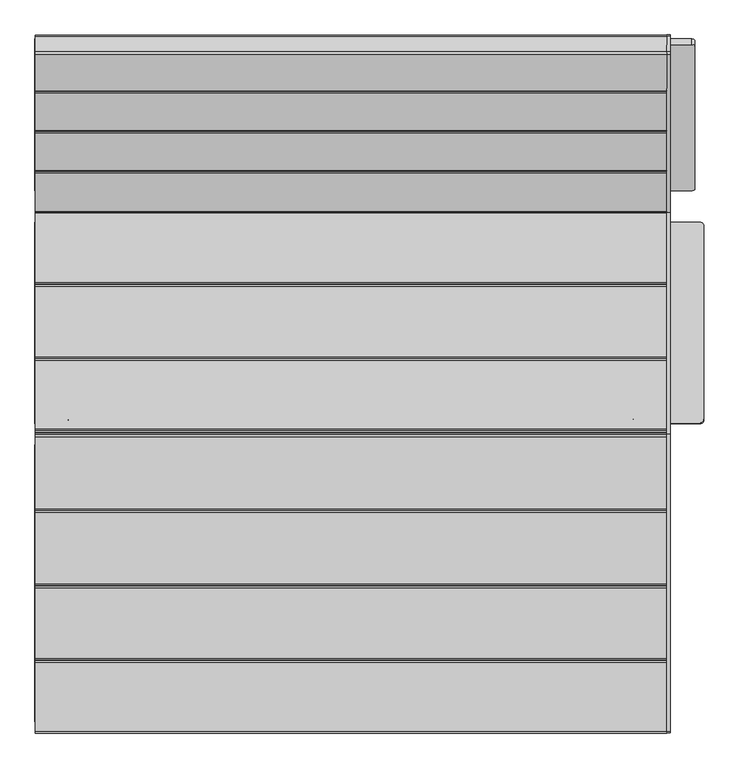
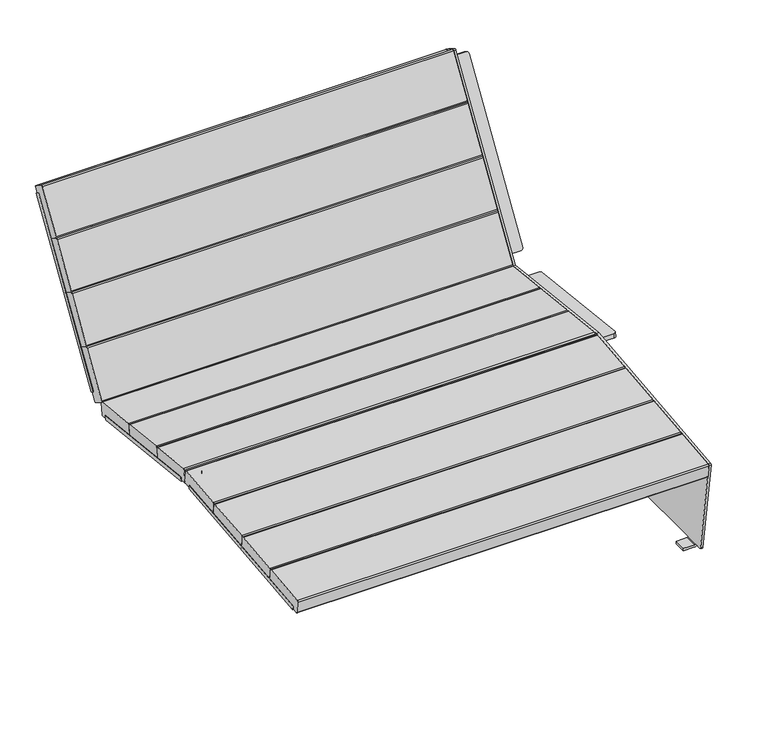
"""IFC4 building model written with IfcOpenShell, lengths in millimetres: furniture geometry."""

from ifc_helpers import new_model, si_unit, point, frame, frame_2d, origin, place, context, project, spatial, polyline, circle_curve, trimmed, segment, composite_curve, outline, extrude, source, transform, mapped, element, save
from ifc_brep_helpers import plane_surface, cylinder_surface, revolved_surface, advanced_brep


def furniture_59503259(model_context):
    return source(origin(), model_context, "Body", "SolidModel", [
        extrude(outline(composite_curve([segment(polyline([(0.0, 0.0), (578.0, 0.0), (578.0, -51.6665914)]), True, "CONTINUOUS"), segment(trimmed(circle_curve(frame_2d((569.9999999, -51.6665914)), 8.0), [point((578.0, -51.6665914))], [point((571.1396494, -59.5850003))], False, "CARTESIAN"), True, "CONTINUOUS"), segment(polyline([(571.1396494, -59.5850003), (7.0121057, -59.5850003)]), True, "CONTINUOUS"), segment(trimmed(circle_curve(frame_2d((7.0121057, -52.5728945)), 7.0121058), [point((7.0121057, -59.5850003))], [point((0.0, -52.5728945))], False, "CARTESIAN"), True, "CONTINUOUS"), segment(polyline([(0.0, -52.5728945), (0.0, 0.0)]), True, "CONTINUOUS")], self_intersect=False)), frame((-657.0, -653.6519252, 278.0435414), z_axis=(0.0, -0.10531331814140793, 0.9944390906546497), x_axis=(0.0, 0.9944390906546497, 0.10531331814140793)), (0.0, 0.0, 1.0), 12.2952655),
        extrude(outline(composite_curve([segment(polyline([(0.0, 0.0), (62.0, 0.0)]), True, "CONTINUOUS"), segment(trimmed(circle_curve(frame_2d((62.0, -7.9999999)), 8.0), [point((62.0, 0.0))], [point((70.0, -7.9999999))], False, "CARTESIAN"), True, "CONTINUOUS"), segment(polyline([(70.0, -7.9999999), (70.0, -412.0)]), True, "CONTINUOUS"), segment(trimmed(circle_curve(frame_2d((62.0, -412.0)), 8.0), [point((70.0, -412.0))], [point((62.0, -419.9999999))], False, "CARTESIAN"), True, "CONTINUOUS"), segment(polyline([(62.0, -419.9999999), (0.0, -419.9999999), (0.0, 0.0)]), True, "CONTINUOUS")], self_intersect=False)), frame((-657.0, 382.3486398, 292.0493405), z_axis=(0.0, 0.10875935595835198, 0.9940681075718728), x_axis=(1.0, 0.0, 0.0)), (0.0, 0.0, 1.0), 13.4436598),
        extrude(outline(composite_curve([segment(trimmed(circle_curve(frame_2d((0.0, -7.0)), 7.0), [point((-7.0000001, -7.0))], [point((0.9971933, -0.0713923))], False, "CARTESIAN"), True, "CONTINUOUS"), segment(polyline([(0.9971933, -0.0713923), (560.1716558, -0.0713923)]), True, "CONTINUOUS"), segment(trimmed(circle_curve(frame_2d((560.1716558, -7.0421103)), 6.970718), [point((560.1716558, -0.0713923))], [point((567.1423738, -7.0421103))], False, "CARTESIAN"), True, "CONTINUOUS"), segment(polyline([(567.1423738, -7.0421103), (567.1423738, -51.3139346), (-7.0000001, -51.3139346), (-7.0000001, -7.0)]), True, "CONTINUOUS")], self_intersect=False)), frame((-605.6860654, 761.3053612, 819.0950313), z_axis=(0.0, -0.8485020904898253, 0.5291920279391936), x_axis=(0.0, -0.5291920279391936, -0.8485020904898253)), (0.0, 0.0, 1.0), 13.5362306),
        advanced_brep(
        [(664.3530995, 602.7666168, 9.0224925), (655.3306071, 602.7666168, 0.0), (619.6140905, 602.7666168, 0.0), (619.6140905, 602.7666168, 8.1418753), (654.9504798, 602.7666168, 8.1418753), (657.0, 602.7666168, 10.1913955), (657.0, 602.7666168, 11.1667328), (664.3530995, 602.7666168, 11.1667328), (657.0, 563.2447437, 11.1667328), (657.0, 563.2447437, 10.1913955), (654.9504798, 563.2447437, 8.1418753), (619.6140905, 563.2447437, 8.1418753), (619.6140905, 563.2447437, 0.0), (655.3306071, 563.2447437, 0.0), (664.3530995, 563.2447437, 9.0224925), (664.3530995, 563.2447437, 11.1667328), (664.3530995, 632.5906619, 11.1667328), (664.3530995, 773.4237437, 842.4923379), (664.3530995, 771.6128802, 846.5443154), (664.3530995, 739.2072979, 866.9704616), (664.3530995, 733.6829682, 865.7075655), (664.3530995, 404.0685244, 338.6611211), (664.3530995, -55.947887, 389.484152), (664.3530995, -674.4279697, 323.9359283), (664.3530995, -677.9699267, 319.3675424), (664.3530995, -633.0934986, 14.5818314), (664.3530995, -629.1387431, 11.1667328), (664.3530995, -602.7666168, 11.1667328), (664.3530995, -602.7666168, 9.0224925), (664.3530995, -563.2447437, 9.0224925), (664.3530995, -563.2447437, 11.1667328), (664.3530995, 382.3486398, 292.0493405), (664.3530995, -35.1599653, 337.72827), (664.3530995, -33.6978416, 351.0921834), (664.3530995, 383.8107636, 305.4132539), (664.3530995, 765.0097054, 825.034546), (664.3530995, 461.1781383, 337.8735415), (664.3530995, 449.6926183, 345.0368069), (664.3530995, 753.5241854, 832.1978113), (657.0, -563.2447437, 11.1667328), (657.0, -563.2447437, 10.1913955), (657.0, -602.7666168, 10.1913955), (657.0, -602.7666168, 11.1667328), (657.0, -629.1387431, 11.1667328), (657.0, -633.0934986, 14.5818314), (657.0, -677.9699267, 319.3675424), (657.0, -674.4279697, 323.9359283), (657.0, -55.947887, 389.484152), (657.0, 404.0685244, 338.6611211), (657.0, 733.6829682, 865.7075655), (657.0, 739.2072979, 866.9704616), (657.0, 771.6128802, 846.5443154), (657.0, 773.4237437, 842.4923379), (657.0, 632.5906619, 11.1667328), (657.0, -653.6519252, 278.0435414), (657.0, -78.8661308, 338.9146392), (657.0, -80.160986, 351.1415319), (657.0, -654.9467804, 290.270434), (657.0, -35.1599653, 337.72827), (657.0, 382.3486398, 292.0493405), (657.0, 383.8107636, 305.4132539), (657.0, -33.6978416, 351.0921834), (657.0, 461.1781383, 337.8735415), (657.0, 765.0097054, 825.034546), (657.0, 753.5241854, 832.1978113), (657.0, 449.6926183, 345.0368069), (654.9504798, -602.7666168, 8.1418753), (619.6140905, -602.7666168, 8.1418753), (619.6140905, -602.7666168, 0.0), (655.3306071, -602.7666168, 0.0), (655.3306071, -563.2447437, 0.0), (619.6140905, -563.2447437, 0.0), (619.6140905, -563.2447437, 8.1418753), (654.9504798, -563.2447437, 8.1418753), (604.4271055, -653.6519252, 278.0435414), (597.4149997, -646.6788132, 278.7820095), (597.4149997, -85.6883316, 338.192153), (605.3334086, -78.8661308, 338.9146392), (605.3334086, -80.160986, 351.1415319), (597.4149997, -86.9831868, 350.4190456), (597.4149997, -647.9736684, 291.0089021), (604.4271055, -654.9467804, 290.270434), (595.0, -35.1599653, 337.72827), (587.0, -27.2074205, 336.8581951), (587.0, 374.396095, 292.9194153), (595.0, 382.3486398, 292.0493405), (595.0, 383.8107636, 305.4132539), (587.0, 375.8582188, 306.2833288), (587.0, -25.7452967, 350.2221086), (595.0, -33.6978416, 351.0921834), (726.3530995, 382.3486398, 292.0493405), (734.3530995, 374.396095, 292.9194153), (734.3530995, -27.2074205, 336.8581951), (726.3530995, -35.1599653, 337.72827), (726.3530995, -33.6978416, 351.0921834), (734.3530995, -25.7452967, 350.2221086), (734.3530995, 375.8582188, 306.2833288), (726.3530995, 383.8107636, 305.4132539), (612.6860654, 765.0097054, 825.034546), (612.7281757, 461.1781383, 337.8735415), (605.7574577, 464.8669867, 343.7882103), (605.7574577, 760.7776544, 818.2489107), (612.6860654, 753.5241854, 832.1978113), (605.7574577, 749.2921345, 825.4121761), (605.7574577, 453.3814667, 350.9514757), (612.7281757, 449.6926183, 345.0368069), (708.6670341, 765.0097054, 825.034546), (715.5956418, 760.7776544, 818.2489107), (715.5956418, 464.8669867, 343.7882103), (708.6249239, 461.1781383, 337.8735415), (708.6670341, 753.5241854, 832.1978113), (708.6249239, 449.6926183, 345.0368069), (715.5956418, 453.3814667, 350.9514757), (715.5956418, 749.2921345, 825.4121761)],
        [
            (0, 1, circle_curve(frame((655.3306071, 602.7666168, 9.0224925), z_axis=(0.0, 1.0, 0.0), x_axis=(1.0, 0.0, 0.0)), 9.0224925)),
            (1, 2),
            (2, 3),
            (3, 4),
            (4, 5, circle_curve(frame((654.9504798, 602.7666168, 10.1913955), z_axis=(0.0, -1.0, 0.0), x_axis=(1.0, 0.0, 0.0)), 2.0495202)),
            (5, 6),
            (6, 7),
            (7, 0),
            (8, 9),
            (9, 10, circle_curve(frame((654.9504798, 563.2447437, 10.1913955), z_axis=(0.0, 1.0, 0.0), x_axis=(1.0, 0.0, 0.0)), 2.0495202)),
            (10, 11),
            (11, 12),
            (12, 13),
            (13, 14, circle_curve(frame((655.3306071, 563.2447437, 9.0224925), z_axis=(0.0, -1.0, 0.0), x_axis=(1.0, 0.0, 0.0)), 9.0224925)),
            (14, 15),
            (15, 8),
            (5, 9),
            (8, 6),
            (4, 10),
            (3, 11),
            (2, 12),
            (1, 13),
            (0, 14),
            (7, 16),
            (16, 17),
            (17, 18, circle_curve(frame((664.3530995, 769.4799351, 843.16045), z_axis=(1.0, 0.0, 0.0), x_axis=(0.0, 1.0, 0.0)), 4.0)),
            (18, 19),
            (19, 20, circle_curve(frame((664.3530995, 737.0743528, 863.5865962), z_axis=(1.0, 0.0, 0.0), x_axis=(0.0, 1.0, 0.0)), 4.0)),
            (20, 21),
            (21, 22),
            (22, 23),
            (23, 24, circle_curve(frame((664.3530995, -674.0056613, 319.951238), z_axis=(1.0, 0.0, 0.0), x_axis=(0.0, 1.0, 0.0)), 4.0070065)),
            (24, 25),
            (25, 26, circle_curve(frame((664.3530995, -629.1387431, 15.1641267), z_axis=(1.0, 0.0, 0.0), x_axis=(0.0, 1.0, 0.0)), 3.997394)),
            (26, 27),
            (27, 28),
            (28, 29),
            (29, 30),
            (30, 15),
            (31, 32),
            (32, 33),
            (33, 34),
            (34, 31),
            (35, 36),
            (36, 37),
            (37, 38),
            (38, 35),
            (8, 39),
            (39, 40),
            (40, 41),
            (41, 42),
            (42, 43),
            (43, 44, circle_curve(frame((657.0, -629.1387431, 15.1641267), z_axis=(-1.0, 0.0, 0.0), x_axis=(0.0, 1.0, 0.0)), 3.997394)),
            (44, 45),
            (45, 46, circle_curve(frame((657.0, -674.0056613, 319.951238), z_axis=(-1.0, 0.0, 0.0), x_axis=(0.0, 1.0, 0.0)), 4.0070065)),
            (46, 47),
            (47, 48),
            (48, 49),
            (49, 50, circle_curve(frame((657.0, 737.0743528, 863.5865962), z_axis=(-1.0, 0.0, 0.0), x_axis=(0.0, 1.0, 0.0)), 4.0)),
            (50, 51),
            (51, 52, circle_curve(frame((657.0, 769.4799351, 843.16045), z_axis=(-1.0, 0.0, 0.0), x_axis=(0.0, 1.0, 0.0)), 4.0)),
            (52, 53),
            (53, 6),
            (54, 55),
            (55, 56),
            (56, 57),
            (57, 54),
            (58, 59),
            (59, 60),
            (60, 61),
            (61, 58),
            (62, 63),
            (63, 64),
            (64, 65),
            (65, 62),
            (25, 44),
            (43, 26),
            (30, 39),
            (42, 27),
            (53, 16),
            (52, 17),
            (51, 18),
            (50, 19),
            (49, 20),
            (48, 21),
            (47, 22),
            (46, 23),
            (45, 24),
            (41, 66, circle_curve(frame((654.9504798, -602.7666168, 10.1913955), z_axis=(0.0, 1.0, 0.0), x_axis=(1.0, 0.0, 0.0)), 2.0495202)),
            (66, 67),
            (67, 68),
            (68, 69),
            (69, 28, circle_curve(frame((655.3306071, -602.7666168, 9.0224925), z_axis=(0.0, -1.0, 0.0), x_axis=(1.0, 0.0, 0.0)), 9.0224925)),
            (29, 70, circle_curve(frame((655.3306071, -563.2447437, 9.0224925), z_axis=(0.0, 1.0, 0.0), x_axis=(1.0, 0.0, 0.0)), 9.0224925)),
            (70, 71),
            (71, 72),
            (72, 73),
            (73, 40, circle_curve(frame((654.9504798, -563.2447437, 10.1913955), z_axis=(0.0, -1.0, 0.0), x_axis=(1.0, 0.0, 0.0)), 2.0495202)),
            (73, 66),
            (72, 67),
            (71, 68),
            (70, 69),
            (54, 74),
            (74, 75, circle_curve(frame((604.4271055, -646.6788132, 278.7820095), z_axis=(0.0, 0.10531331814140793, -0.9944390906546497), x_axis=(1.0, 0.0, 0.0)), 7.0121058)),
            (75, 76),
            (76, 77, circle_curve(frame((605.3334086, -86.8216436, 338.0721327), z_axis=(0.0, 0.10531331814140793, -0.9944390906546497), x_axis=(-1.0, 0.0, 0.0)), 8.0)),
            (77, 55),
            (56, 78),
            (78, 79, circle_curve(frame((605.3334086, -88.1164988, 350.2990253), z_axis=(0.0, -0.10531331814140793, 0.9944390906546497), x_axis=(-1.0, 0.0, 0.0)), 8.0)),
            (79, 80),
            (80, 81, circle_curve(frame((604.4271055, -647.9736684, 291.0089021), z_axis=(0.0, -0.10531331814140793, 0.9944390906546497), x_axis=(1.0, 0.0, 0.0)), 7.0121058)),
            (81, 57),
            (77, 78),
            (76, 79),
            (81, 74),
            (80, 75),
            (58, 82),
            (82, 83, circle_curve(frame((595.0, -27.2074205, 336.8581951), z_axis=(0.0, -0.10875935595835198, -0.9940681075718728), x_axis=(0.0, 0.9940681075718728, -0.10875935595835198)), 8.0)),
            (83, 84),
            (84, 85, circle_curve(frame((595.0, 374.396095, 292.9194153), z_axis=(0.0, -0.10875935595835198, -0.9940681075718728), x_axis=(0.0, 0.9940681075718728, -0.10875935595835198)), 8.0)),
            (85, 59),
            (60, 86),
            (86, 87, circle_curve(frame((595.0, 375.8582188, 306.2833288), z_axis=(0.0, 0.10875935595835198, 0.9940681075718728), x_axis=(0.0, 0.9940681075718728, -0.10875935595835198)), 8.0)),
            (87, 88),
            (88, 89, circle_curve(frame((595.0, -25.7452967, 350.2221086), z_axis=(0.0, 0.10875935595835198, 0.9940681075718728), x_axis=(0.0, 0.9940681075718728, -0.10875935595835198)), 8.0)),
            (89, 61),
            (85, 86),
            (84, 87),
            (83, 88),
            (82, 89),
            (31, 90),
            (90, 91, circle_curve(frame((726.3530995, 374.396095, 292.9194153), z_axis=(0.0, -0.10875935595835198, -0.9940681075718728), x_axis=(0.0, 0.9940681075718728, -0.10875935595835198)), 8.0)),
            (91, 92),
            (92, 93, circle_curve(frame((726.3530995, -27.2074205, 336.8581951), z_axis=(0.0, -0.10875935595835198, -0.9940681075718728), x_axis=(0.0, 0.9940681075718728, -0.10875935595835198)), 8.0)),
            (93, 32),
            (33, 94),
            (94, 95, circle_curve(frame((726.3530995, -25.7452967, 350.2221086), z_axis=(0.0, 0.10875935595835198, 0.9940681075718728), x_axis=(0.0, 0.9940681075718728, -0.10875935595835198)), 8.0)),
            (95, 96),
            (96, 97, circle_curve(frame((726.3530995, 375.8582188, 306.2833288), z_axis=(0.0, 0.10875935595835198, 0.9940681075718728), x_axis=(0.0, 0.9940681075718728, -0.10875935595835198)), 8.0)),
            (97, 34),
            (97, 90),
            (96, 91),
            (95, 92),
            (94, 93),
            (98, 63),
            (62, 99),
            (99, 100, circle_curve(frame((612.7281757, 464.8669867, 343.7882103), z_axis=(0.0, 0.8485020904898253, -0.5291920279391936), x_axis=(1.0, 0.0, 0.0)), 6.970718)),
            (100, 101),
            (101, 98, circle_curve(frame((612.6860654, 761.3053612, 819.0950313), z_axis=(0.0, 0.8485020904898253, -0.5291920279391936), x_axis=(-1.0, 0.0, 0.0)), 7.0)),
            (102, 103, circle_curve(frame((612.6860654, 749.8198412, 826.2582967), z_axis=(0.0, -0.8485020904898253, 0.5291920279391936), x_axis=(-1.0, 0.0, 0.0)), 7.0)),
            (103, 104),
            (104, 105, circle_curve(frame((612.7281757, 453.3814667, 350.9514757), z_axis=(0.0, -0.8485020904898253, 0.5291920279391936), x_axis=(1.0, 0.0, 0.0)), 6.970718)),
            (105, 65),
            (64, 102),
            (101, 103),
            (102, 98),
            (105, 99),
            (104, 100),
            (106, 107, circle_curve(frame((708.6670341, 761.3053612, 819.0950313), z_axis=(0.0, 0.8485020904898253, -0.5291920279391936), x_axis=(1.0, 0.0, 0.0)), 7.0)),
            (107, 108),
            (108, 109, circle_curve(frame((708.6249239, 464.8669867, 343.7882103), z_axis=(0.0, 0.8485020904898253, -0.5291920279391936), x_axis=(-1.0, 0.0, 0.0)), 6.970718)),
            (109, 36),
            (35, 106),
            (110, 38),
            (37, 111),
            (111, 112, circle_curve(frame((708.6249239, 453.3814667, 350.9514757), z_axis=(0.0, -0.8485020904898253, 0.5291920279391936), x_axis=(-1.0, 0.0, 0.0)), 6.970718)),
            (112, 113),
            (113, 110, circle_curve(frame((708.6670341, 749.8198412, 826.2582967), z_axis=(0.0, -0.8485020904898253, 0.5291920279391936), x_axis=(1.0, 0.0, 0.0)), 7.0)),
            (106, 110),
            (113, 107),
            (109, 111),
            (108, 112),
        ],
        [
            plane_surface(frame((657.0, 602.7666168, 15.0954559), z_axis=(0.0, 1.0, 0.0), x_axis=(0.0, 0.0, 1.0))),
            plane_surface(frame((657.0, 563.2447437, 15.0954559), z_axis=(0.0, -1.0, 0.0), x_axis=(0.0, 0.0, -1.0))),
            plane_surface(frame((657.0, 602.7666168, 10.1913955), z_axis=(-1.0, 0.0, 0.0), x_axis=(0.0, -1.0, 0.0))),
            revolved_surface(polyline([(657.0, 563.2447437, 10.1913955), (657.0, 602.7666168, 10.1913955)]), (654.9504798, 563.2447437, 10.1913955), (0.0, -1.0, 0.0)),
            plane_surface(frame((619.6140905, 602.7666168, 8.1418753), z_axis=(0.0, 0.0, 1.0), x_axis=(0.0, -1.0, 0.0))),
            plane_surface(frame((619.6140905, 602.7666168, 0.0), z_axis=(-1.0, 0.0, 0.0), x_axis=(0.0, -1.0, 0.0))),
            plane_surface(frame((655.3306071, 602.7666168, 0.0), z_axis=(0.0, 0.0, -1.0), x_axis=(0.0, -1.0, 0.0))),
            cylinder_surface(frame((655.3306071, 563.2447437, 9.0224925), z_axis=(0.0, 1.0, 0.0), x_axis=(1.0, 0.0, 0.0)), 9.0224925),
            plane_surface(frame((664.3530995, 602.7666168, 15.0954559), z_axis=(1.0, 0.0, 0.0), x_axis=(0.0, -1.0, 0.0))),
            plane_surface(frame((657.0, 602.7666168, 11.1667328), z_axis=(-1.0, 0.0, 0.0), x_axis=(0.0, -1.0, 0.0))),
            cylinder_surface(frame((657.0, -629.1387431, 15.1641267), z_axis=(1.0, 0.0, 0.0), x_axis=(0.0, 1.0, 0.0)), 3.997394),
            plane_surface(frame((664.3530995, -629.1387431, 11.1667328), z_axis=(0.0, 0.0, -1.0), x_axis=(-1.0, 0.0, 0.0))),
            plane_surface(frame((664.3530995, 632.5906619, 11.1667328), z_axis=(0.0, 0.985952147265219, -0.16702803148904108), x_axis=(-1.0, 0.0, 0.0))),
            cylinder_surface(frame((657.0, 769.4799351, 843.16045), z_axis=(1.0, 0.0, 0.0), x_axis=(0.0, 1.0, 0.0)), 4.0),
            plane_surface(frame((664.3530995, 771.6128802, 846.5443154), z_axis=(0.0, 0.5332362847455439, 0.845966349585354), x_axis=(-1.0, 0.0, 0.0))),
            cylinder_surface(frame((657.0, 737.0743528, 863.5865962), z_axis=(1.0, 0.0, 0.0), x_axis=(0.0, 1.0, 0.0)), 4.0),
            plane_surface(frame((664.3530995, 733.6829682, 865.7075655), z_axis=(0.0, -0.8478461383112661, 0.5302423273850114), x_axis=(-1.0, 0.0, 0.0))),
            plane_surface(frame((664.3530995, 404.0685244, 338.6611211), z_axis=(0.0, 0.10981275199900425, 0.9939522923653857), x_axis=(-1.0, 0.0, 0.0))),
            plane_surface(frame((664.3530995, -55.947887, 389.484152), z_axis=(0.0, -0.10539250642220668, 0.9944307012507434), x_axis=(-1.0, 0.0, 0.0))),
            cylinder_surface(frame((657.0, -674.0056613, 319.951238), z_axis=(1.0, 0.0, 0.0), x_axis=(0.0, 1.0, 0.0)), 4.0070065),
            plane_surface(frame((664.3530995, -677.9699267, 319.3675424), z_axis=(0.0, -0.9893334212997198, -0.14566873892291154), x_axis=(-1.0, 0.0, 0.0))),
            plane_surface(frame((657.0, -602.7666168, 11.1667328), z_axis=(0.0, -1.0, 0.0), x_axis=(0.0, 0.0, -1.0))),
            plane_surface(frame((657.0, -563.2447437, 11.1667328), z_axis=(0.0, 1.0, 0.0), x_axis=(0.0, 0.0, 1.0))),
            revolved_surface(polyline([(657.0, -563.2447437, 10.1913955), (657.0, -602.7666168, 10.1913955)]), (654.9504798, -563.2447437, 10.1913955), (0.0, 1.0, 0.0)),
            plane_surface(frame((654.9504798, -602.7666168, 8.1418753), z_axis=(0.0, 0.0, 1.0), x_axis=(0.0, 1.0, 0.0))),
            plane_surface(frame((619.6140905, -602.7666168, 8.1418753), z_axis=(-1.0, 0.0, 0.0), x_axis=(0.0, 1.0, 0.0))),
            plane_surface(frame((619.6140905, -602.7666168, 0.0), z_axis=(0.0, 0.0, -1.0), x_axis=(0.0, 1.0, 0.0))),
            cylinder_surface(frame((655.3306071, -563.2447437, 9.0224925), z_axis=(0.0, -1.0, 0.0), x_axis=(1.0, 0.0, 0.0)), 9.0224925),
            plane_surface(frame((607.6361934, -653.6519252, 278.0435414), z_axis=(0.0, 0.10531331814140793, -0.9944390906546497), x_axis=(-1.0, 0.0, 0.0))),
            plane_surface(frame((607.6361934, -654.9467804, 290.270434), z_axis=(0.0, -0.10531331814140793, 0.9944390906546497), x_axis=(1.0, 0.0, 0.0))),
            plane_surface(frame((605.3334086, -78.8661308, 338.9146392), z_axis=(0.0, 0.9944390906546499, 0.10531331814140715), x_axis=(0.0, -0.10531331814140715, 0.9944390906546499))),
            cylinder_surface(frame((605.3334086, -88.1164988, 350.2990253), z_axis=(0.0, 0.10531331814140793, -0.9944390906546497), x_axis=(-1.0, 0.0, 0.0)), 8.0),
            plane_surface(frame((657.0, -653.6519252, 278.0435414), z_axis=(0.0, -0.9944390906546492, -0.10531331814141288), x_axis=(0.0, -0.10531331814141288, 0.9944390906546492))),
            cylinder_surface(frame((604.4271055, -647.9736684, 291.0089021), z_axis=(0.0, 0.10531331814140793, -0.9944390906546497), x_axis=(1.0, 0.0, 0.0)), 7.0121058),
            plane_surface(frame((597.4149997, -646.6788132, 278.7820095), z_axis=(-1.0, 0.0, 0.0), x_axis=(0.0, -0.10531331814141288, 0.9944390906546492))),
            plane_surface(frame((657.0, -35.1599653, 337.72827), z_axis=(0.0, -0.10875935595835198, -0.9940681075718728), x_axis=(0.0, -0.9940681075718728, 0.10875935595835198))),
            plane_surface(frame((657.0, -33.6978416, 351.0921834), z_axis=(0.0, 0.10875935595835198, 0.9940681075718728), x_axis=(0.0, 0.9940681075718728, -0.10875935595835198))),
            plane_surface(frame((595.0, 382.3486398, 292.0493405), z_axis=(0.0, 0.9940681075718729, -0.10875935595835155), x_axis=(0.0, 0.10875935595835155, 0.9940681075718729))),
            cylinder_surface(frame((595.0, 375.8582188, 306.2833288), z_axis=(0.0, -0.10875935595835198, -0.9940681075718728), x_axis=(0.0, 0.9940681075718728, -0.10875935595835198)), 8.0),
            plane_surface(frame((587.0, -27.2074205, 336.8581951), z_axis=(-1.0, 0.0, 0.0), x_axis=(0.0, 0.10875935595835222, 0.9940681075718728))),
            cylinder_surface(frame((595.0, -25.7452967, 350.2221086), z_axis=(0.0, -0.10875935595835198, -0.9940681075718728), x_axis=(0.0, 0.9940681075718728, -0.10875935595835198)), 8.0),
            plane_surface(frame((657.0, -35.1599653, 337.72827), z_axis=(0.0, -0.9940681075718728, 0.1087593559583519), x_axis=(0.0, 0.1087593559583519, 0.9940681075718728))),
            plane_surface(frame((664.3530995, 382.3486398, 292.0493405), z_axis=(0.0, -0.10875935595835198, -0.9940681075718728), x_axis=(1.0, 0.0, 0.0))),
            plane_surface(frame((664.3530995, 383.8107636, 305.4132539), z_axis=(0.0, 0.10875935595835198, 0.9940681075718728), x_axis=(-1.0, 0.0, 0.0))),
            plane_surface(frame((664.3530995, 382.3486398, 292.0493405), z_axis=(0.0, 0.9940681075718729, -0.10875935595835155), x_axis=(0.0, 0.10875935595835155, 0.9940681075718729))),
            cylinder_surface(frame((726.3530995, 375.8582188, 306.2833288), z_axis=(0.0, -0.10875935595835198, -0.9940681075718728), x_axis=(0.0, 0.9940681075718728, -0.10875935595835198)), 8.0),
            plane_surface(frame((734.3530995, 374.396095, 292.9194153), z_axis=(1.0, 0.0, 0.0), x_axis=(0.0, 0.10875935595835155, 0.9940681075718729))),
            cylinder_surface(frame((726.3530995, -25.7452967, 350.2221086), z_axis=(0.0, -0.10875935595835198, -0.9940681075718728), x_axis=(0.0, 0.9940681075718728, -0.10875935595835198)), 8.0),
            plane_surface(frame((726.3530995, -35.1599653, 337.72827), z_axis=(0.0, -0.9940681075718729, 0.10875935595835183), x_axis=(0.0, 0.10875935595835183, 0.9940681075718729))),
            plane_surface(frame((657.1685248, 765.0097054, 825.034546), z_axis=(0.0, 0.8485020904898253, -0.5291920279391936), x_axis=(1.0, 0.0, 0.0))),
            plane_surface(frame((657.1685248, 753.5241854, 832.1978113), z_axis=(0.0, -0.8485020904898253, 0.5291920279391936), x_axis=(-1.0, 0.0, 0.0))),
            cylinder_surface(frame((612.6860654, 749.8198412, 826.2582967), z_axis=(0.0, 0.8485020904898253, -0.5291920279391936), x_axis=(-1.0, 0.0, 0.0)), 7.0),
            plane_surface(frame((657.0, 461.1781383, 337.8735415), z_axis=(0.0, -0.5291920279391971, -0.8485020904898233), x_axis=(0.0, -0.8485020904898233, 0.5291920279391971))),
            plane_surface(frame((612.6860654, 765.0097054, 825.034546), z_axis=(0.0, 0.5291920279391971, 0.8485020904898233), x_axis=(0.0, -0.8485020904898233, 0.5291920279391971))),
            cylinder_surface(frame((612.7281757, 453.3814667, 350.9514757), z_axis=(0.0, 0.8485020904898253, -0.5291920279391936), x_axis=(1.0, 0.0, 0.0)), 6.970718),
            plane_surface(frame((605.7574577, 464.8669867, 343.7882103), z_axis=(-1.0, 0.0, 0.0), x_axis=(0.0, -0.8485020904898283, 0.529192027939189))),
            plane_surface(frame((715.6670341, 761.3053612, 819.0950313), z_axis=(0.0, 0.8485020904898254, -0.5291920279391936), x_axis=(0.0, -0.5291920279391936, -0.8485020904898254))),
            plane_surface(frame((715.6670341, 749.8198412, 826.2582967), z_axis=(0.0, -0.8485020904898254, 0.5291920279391936), x_axis=(0.0, 0.5291920279391936, 0.8485020904898254))),
            cylinder_surface(frame((708.6670341, 749.8198412, 826.2582967), z_axis=(0.0, 0.8485020904898253, -0.5291920279391936), x_axis=(1.0, 0.0, 0.0)), 7.0),
            plane_surface(frame((708.6249239, 461.1781383, 337.8735415), z_axis=(0.0, -0.5291920279391912, -0.8485020904898268), x_axis=(0.0, -0.8485020904898268, 0.5291920279391912))),
            plane_surface(frame((664.3530995, 765.0097054, 825.034546), z_axis=(0.0, 0.5291920279391971, 0.8485020904898233), x_axis=(0.0, -0.8485020904898233, 0.5291920279391971))),
            cylinder_surface(frame((708.6249239, 453.3814667, 350.9514757), z_axis=(0.0, 0.8485020904898253, -0.5291920279391936), x_axis=(-1.0, 0.0, 0.0)), 6.970718),
            plane_surface(frame((715.5956418, 760.7776544, 818.2489107), z_axis=(1.0000000000000002, 0.0, 0.0), x_axis=(0.0, -0.8485020904898233, 0.5291920279391971))),
        ],
        [
            (0, [[1, 2, 3, 4, 5, 6, 7, 8]]),
            (1, [[9, 10, 11, 12, 13, 14, 15, 16]]),
            (2, [[-6, 17, -9, 18]]),
            (3, [[-5, 19, -10, -17]]),
            (4, [[-4, 20, -11, -19]]),
            (5, [[-3, 21, -12, -20]]),
            (6, [[-2, 22, -13, -21]]),
            (7, [[-1, 23, -14, -22]]),
            (8, [[-23, -8, 24, 25, 26, 27, 28, 29, 30, 31, 32, 33, 34, 35, 36, 37, 38, 39, -15], [40, 41, 42, 43], [44, 45, 46, 47]]),
            (9, [[-18, 48, 49, 50, 51, 52, 53, 54, 55, 56, 57, 58, 59, 60, 61, 62, 63], [64, 65, 66, 67], [68, 69, 70, 71], [72, 73, 74, 75]]),
            (10, [[-34, 76, -53, 77]]),
            (11, [[-16, -39, 78, -48]]),
            (11, [[-77, -52, 79, -35]]),
            (11, [[80, -24, -7, -63]]),
            (12, [[-25, -80, -62, 81]]),
            (13, [[-26, -81, -61, 82]]),
            (14, [[-27, -82, -60, 83]]),
            (15, [[-28, -83, -59, 84]]),
            (16, [[-29, -84, -58, 85]]),
            (17, [[-30, -85, -57, 86]]),
            (18, [[-31, -86, -56, 87]]),
            (19, [[-32, -87, -55, 88]]),
            (20, [[-33, -88, -54, -76]]),
            (21, [[-51, 89, 90, 91, 92, 93, -36, -79]]),
            (22, [[94, 95, 96, 97, 98, -49, -78, -38]]),
            (23, [[-89, -50, -98, 99]]),
            (24, [[-90, -99, -97, 100]]),
            (25, [[-91, -100, -96, 101]]),
            (26, [[-92, -101, -95, 102]]),
            (27, [[-93, -102, -94, -37]]),
            (28, [[103, 104, 105, 106, 107, -64]]),
            (29, [[108, 109, 110, 111, 112, -66]]),
            (30, [[-107, 113, -108, -65]]),
            (31, [[-106, 114, -109, -113]]),
            (32, [[-103, -67, -112, 115]]),
            (33, [[-104, -115, -111, 116]]),
            (34, [[-105, -116, -110, -114]]),
            (35, [[117, 118, 119, 120, 121, -68]]),
            (36, [[122, 123, 124, 125, 126, -70]]),
            (37, [[-121, 127, -122, -69]]),
            (38, [[-120, 128, -123, -127]]),
            (39, [[-119, 129, -124, -128]]),
            (40, [[-118, 130, -125, -129]]),
            (41, [[-117, -71, -126, -130]]),
            (42, [[131, 132, 133, 134, 135, -40]]),
            (43, [[136, 137, 138, 139, 140, -42]]),
            (44, [[-131, -43, -140, 141]]),
            (45, [[-132, -141, -139, 142]]),
            (46, [[-133, -142, -138, 143]]),
            (47, [[-134, -143, -137, 144]]),
            (48, [[-135, -144, -136, -41]]),
            (49, [[145, -72, 146, 147, 148, 149]]),
            (50, [[150, 151, 152, 153, -74, 154]]),
            (51, [[-149, 155, -150, 156]]),
            (52, [[-146, -75, -153, 157]]),
            (53, [[-145, -156, -154, -73]]),
            (54, [[-147, -157, -152, 158]]),
            (55, [[-148, -158, -151, -155]]),
            (56, [[159, 160, 161, 162, -44, 163]]),
            (57, [[164, -46, 165, 166, 167, 168]]),
            (58, [[-159, 169, -168, 170]]),
            (59, [[-162, 171, -165, -45]]),
            (60, [[-163, -47, -164, -169]]),
            (61, [[-161, 172, -166, -171]]),
            (62, [[-160, -170, -167, -172]]),
        ],
    ),
        extrude(outline(composite_curve([segment(polyline([(689.8360354, 718.7427227), (658.4414581, 738.3228278)]), True, "CONTINUOUS"), segment(trimmed(circle_curve(frame_2d((660.5582262, 741.7168361)), 4.0), [point((658.4414581, 738.3228278))], [point((657.1642178, 743.8336042))], False, "CARTESIAN"), True, "CONTINUOUS"), segment(polyline([(657.1642178, 743.8336042), (733.4991308, 866.2283681)]), True, "CONTINUOUS"), segment(trimmed(circle_curve(frame_2d((736.8931392, 864.1115999)), 4.0), [point((733.4991308, 866.2283681))], [point((739.0099073, 867.5056083))], False, "CARTESIAN"), True, "CONTINUOUS"), segment(polyline([(739.0099073, 867.5056083), (770.4044847, 847.9255033)]), True, "CONTINUOUS"), segment(trimmed(circle_curve(frame_2d((768.2877166, 844.5314949)), 4.0), [point((770.4044847, 847.9255033))], [point((771.6817249, 842.4147268))], False, "CARTESIAN"), True, "CONTINUOUS"), segment(polyline([(771.6817249, 842.4147268), (695.3468119, 720.019963)]), True, "CONTINUOUS"), segment(trimmed(circle_curve(frame_2d((691.9528035, 722.1367311)), 4.0), [point((695.3468119, 720.019963))], [point((689.8360354, 718.7427227))], False, "CARTESIAN"), True, "CONTINUOUS")], self_intersect=False)), frame((-655.9426647, 0.0, 0.0), z_axis=(1.0, 0.0, 0.0), x_axis=(0.0, 1.0, 0.0)), (0.0, 0.0, 1.0), 1312.9426647),
        extrude(outline(composite_curve([segment(polyline([(606.8517862, 585.6864687), (575.4572089, 605.2665737)]), True, "CONTINUOUS"), segment(trimmed(circle_curve(frame_2d((577.573977, 608.6605821)), 4.0), [point((575.4572089, 605.2665737))], [point((574.1799686, 610.7773502))], False, "CARTESIAN"), True, "CONTINUOUS"), segment(polyline([(574.1799686, 610.7773502), (652.9306816, 737.0455875)]), True, "CONTINUOUS"), segment(trimmed(circle_curve(frame_2d((656.32469, 734.9288194)), 4.0), [point((652.9306816, 737.0455875))], [point((658.4414581, 738.3228278))], False, "CARTESIAN"), True, "CONTINUOUS"), segment(polyline([(658.4414581, 738.3228278), (689.8360354, 718.7427227)]), True, "CONTINUOUS"), segment(trimmed(circle_curve(frame_2d((687.7192673, 715.3487144)), 4.0), [point((689.8360354, 718.7427227))], [point((691.1132757, 713.2319463))], False, "CARTESIAN"), True, "CONTINUOUS"), segment(polyline([(691.1132757, 713.2319463), (612.3625627, 586.9637089)]), True, "CONTINUOUS"), segment(trimmed(circle_curve(frame_2d((608.9685544, 589.080477)), 4.0), [point((612.3625627, 586.9637089))], [point((606.8517862, 585.6864687))], False, "CARTESIAN"), True, "CONTINUOUS")], self_intersect=False)), frame((-655.9426647, 0.0, 0.0), z_axis=(1.0, 0.0, 0.0), x_axis=(0.0, 1.0, 0.0)), (0.0, 0.0, 1.0), 1312.9426647),
        extrude(outline(composite_curve([segment(polyline([(523.5785945, 452.1669265), (492.1840171, 471.7470315)]), True, "CONTINUOUS"), segment(trimmed(circle_curve(frame_2d((494.3007852, 475.1410399)), 4.0), [point((492.1840171, 471.7470315))], [point((490.9067769, 477.257808))], False, "CARTESIAN"), True, "CONTINUOUS"), segment(polyline([(490.9067769, 477.257808), (569.9464324, 603.9893335)]), True, "CONTINUOUS"), segment(trimmed(circle_curve(frame_2d((573.3404408, 601.8725654)), 4.0), [point((569.9464324, 603.9893335))], [point((575.4572089, 605.2665737))], False, "CARTESIAN"), True, "CONTINUOUS"), segment(polyline([(575.4572089, 605.2665737), (606.8517862, 585.6864687)]), True, "CONTINUOUS"), segment(trimmed(circle_curve(frame_2d((604.7350181, 582.2924603)), 4.0), [point((606.8517862, 585.6864687))], [point((608.1290265, 580.1756922))], False, "CARTESIAN"), True, "CONTINUOUS"), segment(polyline([(608.1290265, 580.1756922), (529.0893709, 453.4441667)]), True, "CONTINUOUS"), segment(trimmed(circle_curve(frame_2d((525.6953626, 455.5609348)), 4.0), [point((529.0893709, 453.4441667))], [point((523.5785945, 452.1669265))], False, "CARTESIAN"), True, "CONTINUOUS")], self_intersect=False)), frame((-655.9426647, 0.0, 0.0), z_axis=(1.0, 0.0, 0.0), x_axis=(0.0, 1.0, 0.0)), (0.0, 0.0, 1.0), 1312.9426647),
        extrude(outline(composite_curve([segment(polyline([(438.729074, 316.119912), (407.3344967, 335.7000171)]), True, "CONTINUOUS"), segment(trimmed(circle_curve(frame_2d((409.4512648, 339.0940254)), 4.0), [point((407.3344967, 335.7000171))], [point((406.0572564, 341.2107935))], False, "CARTESIAN"), True, "CONTINUOUS"), segment(polyline([(406.0572564, 341.2107935), (486.6732406, 470.4697913)]), True, "CONTINUOUS"), segment(trimmed(circle_curve(frame_2d((490.067249, 468.3530232)), 4.0), [point((486.6732406, 470.4697913))], [point((492.1840171, 471.7470315))], False, "CARTESIAN"), True, "CONTINUOUS"), segment(polyline([(492.1840171, 471.7470315), (523.5785945, 452.1669265)]), True, "CONTINUOUS"), segment(trimmed(circle_curve(frame_2d((521.4618263, 448.7729181)), 4.0), [point((523.5785945, 452.1669265))], [point((524.8558347, 446.65615))], False, "CARTESIAN"), True, "CONTINUOUS"), segment(polyline([(524.8558347, 446.65615), (444.2398505, 317.3971523)]), True, "CONTINUOUS"), segment(trimmed(circle_curve(frame_2d((440.8458421, 319.5139204)), 4.0), [point((444.2398505, 317.3971523))], [point((438.729074, 316.119912))], False, "CARTESIAN"), True, "CONTINUOUS")], self_intersect=False)), frame((-655.9426647, 0.0, 0.0), z_axis=(1.0, 0.0, 0.0), x_axis=(0.0, 1.0, 0.0)), (0.0, 0.0, 1.0), 1312.9426647),
        extrude(outline(composite_curve([segment(polyline([(-526.5618181, 293.8107679), (-670.18914, 278.6003141)]), True, "CONTINUOUS"), segment(trimmed(circle_curve(frame_2d((-670.6103933, 282.5780704)), 4.0), [point((-670.18914, 278.6003141))], [point((-674.5881496, 282.1568171))], False, "CARTESIAN"), True, "CONTINUOUS"), segment(polyline([(-674.5881496, 282.1568171), (-678.4847424, 318.9510635)]), True, "CONTINUOUS"), segment(trimmed(circle_curve(frame_2d((-674.506986, 319.3723168)), 4.0), [point((-678.4847424, 318.9510635))], [point((-674.9282393, 323.3500731))], False, "CARTESIAN"), True, "CONTINUOUS"), segment(polyline([(-674.9282393, 323.3500731), (-531.3009174, 338.5605269)]), True, "CONTINUOUS"), segment(trimmed(circle_curve(frame_2d((-530.8796641, 334.5827706)), 4.0), [point((-531.3009174, 338.5605269))], [point((-526.9019077, 335.0040238))], False, "CARTESIAN"), True, "CONTINUOUS"), segment(polyline([(-526.9019077, 335.0040238), (-523.005315, 298.2097775)]), True, "CONTINUOUS"), segment(trimmed(circle_curve(frame_2d((-526.9830713, 297.7885242)), 4.0), [point((-523.005315, 298.2097775))], [point((-526.5618181, 293.8107679))], False, "CARTESIAN"), True, "CONTINUOUS")], self_intersect=False)), frame((-655.9426647, 0.0, 0.0), z_axis=(1.0, 0.0, 0.0), x_axis=(0.0, 1.0, 0.0)), (0.0, 0.0, 1.0), 1312.9426647),
        extrude(outline(composite_curve([segment(polyline([(-371.4753437, 310.2347715), (-518.6063053, 294.6532744)]), True, "CONTINUOUS"), segment(trimmed(circle_curve(frame_2d((-519.0275586, 298.6310308)), 4.0), [point((-518.6063053, 294.6532744))], [point((-523.005315, 298.2097775))], False, "CARTESIAN"), True, "CONTINUOUS"), segment(polyline([(-523.005315, 298.2097775), (-526.9019077, 335.0040238)]), True, "CONTINUOUS"), segment(trimmed(circle_curve(frame_2d((-522.9241514, 335.4252771)), 4.0), [point((-526.9019077, 335.0040238))], [point((-523.3454047, 339.4030335))], False, "CARTESIAN"), True, "CONTINUOUS"), segment(polyline([(-523.3454047, 339.4030335), (-376.214443, 354.9845305)]), True, "CONTINUOUS"), segment(trimmed(circle_curve(frame_2d((-375.7931898, 351.0067742)), 4.0), [point((-376.214443, 354.9845305))], [point((-371.8154334, 351.4280275))], False, "CARTESIAN"), True, "CONTINUOUS"), segment(polyline([(-371.8154334, 351.4280275), (-367.9188406, 314.6337811)]), True, "CONTINUOUS"), segment(trimmed(circle_curve(frame_2d((-371.896597, 314.2125278)), 4.0), [point((-367.9188406, 314.6337811))], [point((-371.4753437, 310.2347715))], False, "CARTESIAN"), True, "CONTINUOUS")], self_intersect=False)), frame((-655.9426647, 0.0, 0.0), z_axis=(1.0, 0.0, 0.0), x_axis=(0.0, 1.0, 0.0)), (0.0, 0.0, 1.0), 1312.9426647),
        extrude(outline(composite_curve([segment(polyline([(-214.8743634, 326.8191646), (-363.519831, 311.077278)]), True, "CONTINUOUS"), segment(trimmed(circle_curve(frame_2d((-363.9410843, 315.0550344)), 4.0), [point((-363.519831, 311.077278))], [point((-367.9188406, 314.6337811))], False, "CARTESIAN"), True, "CONTINUOUS"), segment(polyline([(-367.9188406, 314.6337811), (-371.8154334, 351.4280275)]), True, "CONTINUOUS"), segment(trimmed(circle_curve(frame_2d((-367.837677, 351.8492807)), 4.0), [point((-371.8154334, 351.4280275))], [point((-368.2589303, 355.8270371))], False, "CARTESIAN"), True, "CONTINUOUS"), segment(polyline([(-368.2589303, 355.8270371), (-219.6134627, 371.5689237)]), True, "CONTINUOUS"), segment(trimmed(circle_curve(frame_2d((-219.1922094, 367.5911674)), 4.0), [point((-219.6134627, 371.5689237))], [point((-215.2144531, 368.0124206))], False, "CARTESIAN"), True, "CONTINUOUS"), segment(polyline([(-215.2144531, 368.0124206), (-211.3178603, 331.2181743)]), True, "CONTINUOUS"), segment(trimmed(circle_curve(frame_2d((-215.2956167, 330.796921)), 4.0), [point((-211.3178603, 331.2181743))], [point((-214.8743634, 326.8191646))], False, "CARTESIAN"), True, "CONTINUOUS")], self_intersect=False)), frame((-655.9426647, 0.0, 0.0), z_axis=(1.0, 0.0, 0.0), x_axis=(0.0, 1.0, 0.0)), (0.0, 0.0, 1.0), 1312.9426647),
        extrude(outline(composite_curve([segment(polyline([(-57.9329242, 343.4396132), (-206.9188507, 327.6616712)]), True, "CONTINUOUS"), segment(trimmed(circle_curve(frame_2d((-207.3401039, 331.6394275)), 4.0), [point((-206.9188507, 327.6616712))], [point((-211.3178603, 331.2181743))], False, "CARTESIAN"), True, "CONTINUOUS"), segment(polyline([(-211.3178603, 331.2181743), (-215.2144531, 368.0124206)]), True, "CONTINUOUS"), segment(trimmed(circle_curve(frame_2d((-211.2366967, 368.4336739)), 4.0), [point((-215.2144531, 368.0124206))], [point((-211.65795, 372.4114303))], False, "CARTESIAN"), True, "CONTINUOUS"), segment(polyline([(-211.65795, 372.4114303), (-62.6720235, 388.1893722)]), True, "CONTINUOUS"), segment(trimmed(circle_curve(frame_2d((-62.2507702, 384.2116159)), 4.0), [point((-62.6720235, 388.1893722))], [point((-58.2730138, 384.6328692))], False, "CARTESIAN"), True, "CONTINUOUS"), segment(polyline([(-58.2730138, 384.6328692), (-54.3764211, 347.8386228)]), True, "CONTINUOUS"), segment(trimmed(circle_curve(frame_2d((-58.3541774, 347.4173695)), 4.0), [point((-54.3764211, 347.8386228))], [point((-57.9329242, 343.4396132))], False, "CARTESIAN"), True, "CONTINUOUS")], self_intersect=False)), frame((-655.9426647, 0.0, 0.0), z_axis=(1.0, 0.0, 0.0), x_axis=(0.0, 1.0, 0.0)), (0.0, 0.0, 1.0), 1312.9426647),
        extrude(outline(composite_curve([segment(polyline([(91.5494264, 327.329413), (-50.6905248, 342.8916521)]), True, "CONTINUOUS"), segment(trimmed(circle_curve(frame_2d((-50.2554874, 346.8679245)), 4.0), [point((-50.6905248, 342.8916521))], [point((-54.2317598, 347.3029619))], False, "CARTESIAN"), True, "CONTINUOUS"), segment(polyline([(-54.2317598, 347.3029619), (-50.2076637, 384.0834819)]), True, "CONTINUOUS"), segment(trimmed(circle_curve(frame_2d((-46.2313912, 383.6484445)), 4.0), [point((-50.2076637, 384.0834819))], [point((-45.7963538, 387.6247169))], False, "CARTESIAN"), True, "CONTINUOUS"), segment(polyline([(-45.7963538, 387.6247169), (96.4435974, 372.0624779)]), True, "CONTINUOUS"), segment(trimmed(circle_curve(frame_2d((96.00856, 368.0862055)), 4.0), [point((96.4435974, 372.0624779))], [point((99.9848324, 367.651168))], False, "CARTESIAN"), True, "CONTINUOUS"), segment(polyline([(99.9848324, 367.651168), (95.9607362, 330.8706481)]), True, "CONTINUOUS"), segment(trimmed(circle_curve(frame_2d((91.9844638, 331.3056855)), 4.0), [point((95.9607362, 330.8706481))], [point((91.5494264, 327.329413))], False, "CARTESIAN"), True, "CONTINUOUS")], self_intersect=False)), frame((-655.9426647, 0.0, 0.0), z_axis=(1.0, 0.0, 0.0), x_axis=(0.0, 1.0, 0.0)), (0.0, 0.0, 1.0), 1312.9426647),
        extrude(outline(composite_curve([segment(polyline([(246.079586, 310.4225226), (99.5019713, 326.4593382)]), True, "CONTINUOUS"), segment(trimmed(circle_curve(frame_2d((99.9370087, 330.4356106)), 4.0), [point((99.5019713, 326.4593382))], [point((95.9607362, 330.8706481))], False, "CARTESIAN"), True, "CONTINUOUS"), segment(polyline([(95.9607362, 330.8706481), (99.9848324, 367.651168)]), True, "CONTINUOUS"), segment(trimmed(circle_curve(frame_2d((103.9611048, 367.2161306)), 4.0), [point((99.9848324, 367.651168))], [point((104.3961423, 371.192403))], False, "CARTESIAN"), True, "CONTINUOUS"), segment(polyline([(104.3961423, 371.192403), (250.973757, 355.1555874)]), True, "CONTINUOUS"), segment(trimmed(circle_curve(frame_2d((250.5387196, 351.179315)), 4.0), [point((250.973757, 355.1555874))], [point((254.514992, 350.7442775))], False, "CARTESIAN"), True, "CONTINUOUS"), segment(polyline([(254.514992, 350.7442775), (250.4908958, 313.9637576)]), True, "CONTINUOUS"), segment(trimmed(circle_curve(frame_2d((246.5146234, 314.398795)), 4.0), [point((250.4908958, 313.9637576))], [point((246.079586, 310.4225226))], False, "CARTESIAN"), True, "CONTINUOUS")], self_intersect=False)), frame((-655.9426647, 0.0, 0.0), z_axis=(1.0, 0.0, 0.0), x_axis=(0.0, 1.0, 0.0)), (0.0, 0.0, 1.0), 1312.9426647),
        extrude(outline(composite_curve([segment(polyline([(398.6282598, 293.7324232), (254.0321308, 309.5524477)]), True, "CONTINUOUS"), segment(trimmed(circle_curve(frame_2d((254.4671683, 313.5287201)), 4.0), [point((254.0321308, 309.5524477))], [point((250.4908958, 313.9637576))], False, "CARTESIAN"), True, "CONTINUOUS"), segment(polyline([(250.4908958, 313.9637576), (254.514992, 350.7442775)]), True, "CONTINUOUS"), segment(trimmed(circle_curve(frame_2d((258.4912644, 350.3092401)), 4.0), [point((254.514992, 350.7442775))], [point((258.9263019, 354.2855126))], False, "CARTESIAN"), True, "CONTINUOUS"), segment(polyline([(258.9263019, 354.2855126), (403.5224308, 338.465488)]), True, "CONTINUOUS"), segment(trimmed(circle_curve(frame_2d((403.0873934, 334.4892156)), 4.0), [point((403.5224308, 338.465488))], [point((407.0636658, 334.0541782))], False, "CARTESIAN"), True, "CONTINUOUS"), segment(polyline([(407.0636658, 334.0541782), (403.0395696, 297.2736582)]), True, "CONTINUOUS"), segment(trimmed(circle_curve(frame_2d((399.0632972, 297.7086956)), 4.0), [point((403.0395696, 297.2736582))], [point((398.6282598, 293.7324232))], False, "CARTESIAN"), True, "CONTINUOUS")], self_intersect=False)), frame((-655.9426647, 0.0, 0.0), z_axis=(1.0, 0.0, 0.0), x_axis=(0.0, 1.0, 0.0)), (0.0, 0.0, 1.0), 1312.9426647),
    ])


if __name__ == "__main__":
    model = new_model("IFC4")
    model_context = context("Model", 3, world=origin())
    ifc_project = project(units=[si_unit("LENGTHUNIT", "METRE", prefix="MILLI")], contexts=[model_context])
    site = spatial("IfcSite", under=ifc_project)
    building = spatial("IfcBuilding", under=site)
    placement = place(None, origin())
    furniture_shape = furniture_59503259(model_context)
    element("IfcFurniture", 1, at=placement, inside=building, context=model_context, shape_type="MappedRepresentation", body=[
        mapped(furniture_shape, transform((0.0, 0.0, 0.0), x_axis=(1.0, 0.0, 0.0), y_axis=(0.0, 1.0, 0.0), z_axis=(0.0, 0.0, 1.0))),
    ])
    save(model, "model.ifc")
